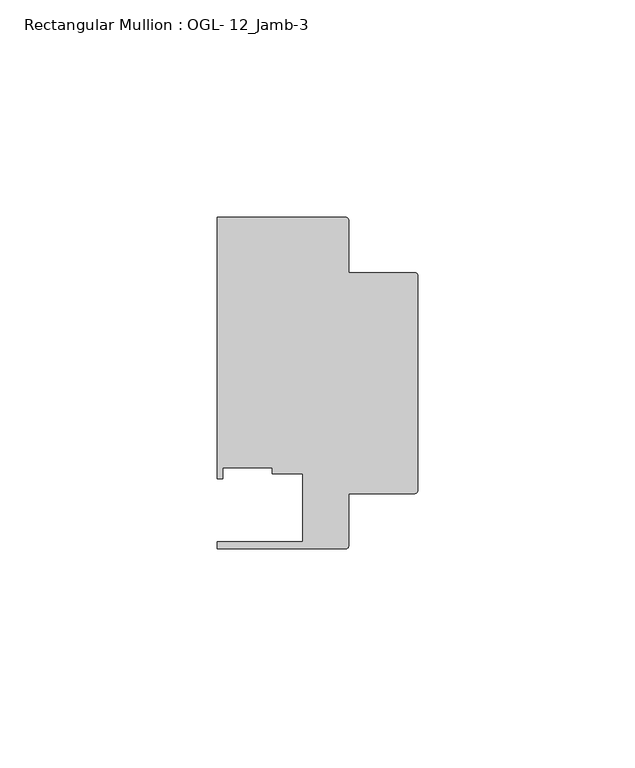
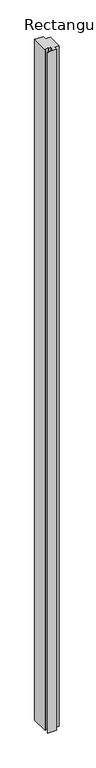
"""IFC4 building model written with IfcOpenShell, lengths in millimetres: member geometry, Rectangular Mullion : OGL- 12_Jamb-3."""

from ifc_helpers import new_model, si_unit, point, frame, frame_2d, origin, place, context, project, spatial, polyline, circle_curve, trimmed, segment, composite_curve, outline, extrude, source, transform, mapped, element, save


def rectangular_mullion_ogl_12_jamb_3_ae992e65(model_context):
    return source(origin(), model_context, "Body", "SweptSolid", [
        extrude(outline(composite_curve([segment(trimmed(circle_curve(frame_2d((-0.5953125, 24.8046875)), 0.5953125), [point((-0.5953125, 25.4))], [point((0.0, 24.8046875))], False, "CARTESIAN"), True, "CONTINUOUS"), segment(polyline([(0.0, 24.8046875), (0.0, -24.8046875)]), True, "CONTINUOUS"), segment(trimmed(circle_curve(frame_2d((-0.5953125, -24.8046875)), 0.5953125), [point((0.0, -24.8046875))], [point((-0.5953125, -25.4))], False, "CARTESIAN"), True, "CONTINUOUS"), segment(polyline([(-0.5953125, -25.4), (-15.8750672, -25.4), (-15.8750672, -37.5047035)]), True, "CONTINUOUS"), segment(trimmed(circle_curve(frame_2d((-16.4703797, -37.5047035)), 0.5953125), [point((-15.8750672, -37.5047035))], [point((-16.4703797, -38.100016))], False, "CARTESIAN"), True, "CONTINUOUS"), segment(polyline([(-16.4703797, -38.100016), (-46.0248655, -38.100016), (-46.0248655, -36.512516), (-26.3720794, -36.512516), (-26.3720794, -20.8257348), (-33.3985545, -20.8257348), (-33.3985545, -19.4824275), (-44.7780305, -19.4824275), (-44.7780305, -21.9710976), (-46.0339598, -21.9710976), (-46.0339598, 38.0996792), (-16.4703797, 38.0996792)]), True, "CONTINUOUS"), segment(trimmed(circle_curve(frame_2d((-16.4703797, 37.5043667)), 0.5953125), [point((-16.4703797, 38.0996792))], [point((-15.8750672, 37.5043667))], False, "CARTESIAN"), True, "CONTINUOUS"), segment(polyline([(-15.8750672, 37.5043667), (-15.8750672, 25.4), (-0.5953125, 25.4)]), True, "CONTINUOUS")], self_intersect=False)), frame((0.0, 0.0, -2438.4), z_axis=(0.0, 0.0, 1.0), x_axis=(1.0, 0.0, 0.0)), (0.0, 0.0, 1.0), 2438.4),
    ])


if __name__ == "__main__":
    model = new_model("IFC4")
    model_context = context("Model", 3, world=origin())
    ifc_project = project(units=[si_unit("LENGTHUNIT", "METRE", prefix="MILLI")], contexts=[model_context])
    site = spatial("IfcSite", under=ifc_project)
    building = spatial("IfcBuilding", under=site)
    placement = place(None, origin())
    rectangular_mullion_ogl_12_jamb_3_shape = rectangular_mullion_ogl_12_jamb_3_ae992e65(model_context)
    element("IfcMember", 1, ObjectType="Rectangular Mullion : OGL- 12_Jamb-3", at=placement, inside=building, context=model_context, shape_type="MappedRepresentation", body=[
        mapped(rectangular_mullion_ogl_12_jamb_3_shape, transform((0.0, 0.0, 0.0), x_axis=(1.0, 0.0, 0.0), y_axis=(0.0, 1.0, 0.0), z_axis=(0.0, 0.0, 1.0))),
    ])
    save(model, "model.ifc")
